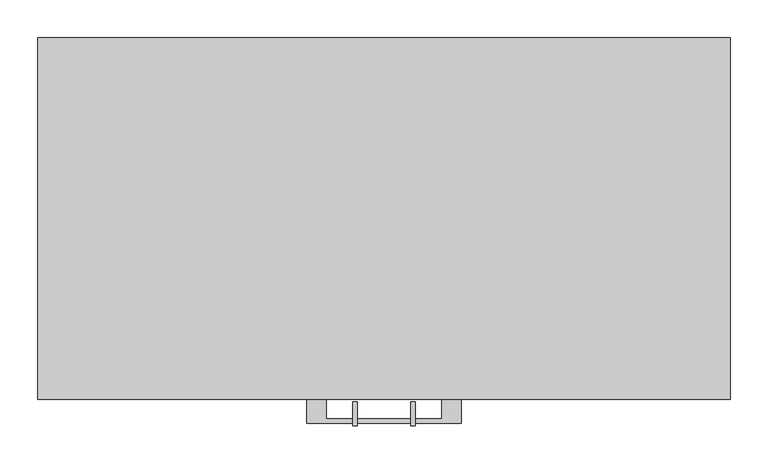
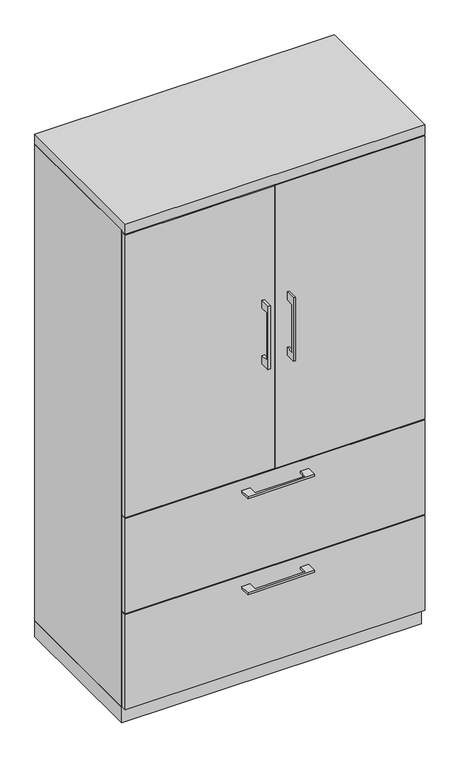
"""IFC4 building model written with IfcOpenShell, lengths in millimetres: furniture geometry."""

from ifc_helpers import new_model, si_unit, frame, origin, origin_with_axes, place, context, project, spatial, polyline, outline, extrude, source, transform, mapped, element, save


def furniture_11ad2db0(model_context):
    return source(origin(), model_context, "Body", "SweptSolid", [
        extrude(outline(polyline([(436.5625, -19.05), (436.5625, -457.2), (-436.5625, -457.2), (-436.5625, -19.05), (436.5625, -19.05)])), frame((0.0, 0.0, 1267.8833333), z_axis=(0.0, 0.0, 1.0), x_axis=(1.0, 0.0, 0.0)), (0.0, 0.0, 1.0), 19.05),
        extrude(outline(polyline([(-479.425, 1200.15), (-504.8249758, 1200.15), (-504.8249758, 1047.75), (-479.425, 1047.75), (-479.425, 1022.35), (-511.1749879, 1022.35), (-511.1749879, 1225.55), (-479.425, 1225.55), (-479.425, 1200.15)])), frame((-41.2749879, 0.0, 0.0), z_axis=(1.0, 0.0, 0.0), x_axis=(0.0, 1.0, 0.0)), (0.0, 0.0, 1.0), 6.3499758),
        extrude(outline(polyline([(-455.6125, -476.25), (-455.6125, -457.2), (-1.5875, -457.2), (-1.5875, -476.25), (-455.6125, -476.25)])), frame((0.0, 0.0, 669.925), z_axis=(0.0, 0.0, 1.0), x_axis=(1.0, 0.0, 0.0)), (0.0, 0.0, 1.0), 908.05),
        extrude(outline(polyline([(-479.425, 1200.15), (-504.8249758, 1200.15), (-504.8249758, 1047.75), (-479.425, 1047.75), (-479.425, 1022.35), (-511.1749879, 1022.35), (-511.1749879, 1225.55), (-479.425, 1225.55), (-479.425, 1200.15)])), frame((34.9250121, 0.0, 0.0), z_axis=(1.0, 0.0, 0.0), x_axis=(0.0, 1.0, 0.0)), (0.0, 0.0, 1.0), 6.3499758),
        extrude(outline(polyline([(455.6125, -476.25), (1.5875, -476.25), (1.5875, -457.2), (455.6125, -457.2), (455.6125, -476.25)])), frame((0.0, 0.0, 669.925), z_axis=(0.0, 0.0, 1.0), x_axis=(1.0, 0.0, 0.0)), (0.0, 0.0, 1.0), 908.05),
        extrude(outline(polyline([(436.5625, -19.05), (436.5625, -457.2), (-436.5625, -457.2), (-436.5625, -19.05), (436.5625, -19.05)])), frame((0.0, 0.0, 964.1416667), z_axis=(0.0, 0.0, 1.0), x_axis=(1.0, 0.0, 0.0)), (0.0, 0.0, 1.0), 19.05),
        extrude(outline(polyline([(-76.1999818, -476.25), (-76.1999818, -501.6499758), (76.2, -501.6499758), (76.2, -476.25), (101.5999939, -476.25), (101.5999939, -507.9999879), (-101.5999939, -507.9999879), (-101.5999939, -476.25), (-76.1999818, -476.25)])), frame((0.0, 0.0, 627.0625506), z_axis=(0.0, 0.0, 1.0), x_axis=(1.0, 0.0, 0.0)), (0.0, 0.0, 1.0), 6.3499758),
        extrude(outline(polyline([(455.6125, -457.2), (455.6125, -476.25), (-455.6125, -476.25), (-455.6125, -457.2), (455.6125, -457.2)])), frame((0.0, 0.0, 361.95), z_axis=(0.0, 0.0, 1.0), x_axis=(1.0, 0.0, 0.0)), (0.0, 0.0, 1.0), 304.8),
        extrude(outline(polyline([(-76.1999818, -476.25), (-76.1999818, -501.6499758), (76.2, -501.6499758), (76.2, -476.25), (101.5999939, -476.25), (101.5999939, -507.9999879), (-101.5999939, -507.9999879), (-101.5999939, -476.25), (-76.1999818, -476.25)])), frame((0.0, 0.0, 319.0875506), z_axis=(0.0, 0.0, 1.0), x_axis=(1.0, 0.0, 0.0)), (0.0, 0.0, 1.0), 6.3499758),
        extrude(outline(polyline([(455.6125, -457.2), (455.6125, -476.25), (-455.6125, -476.25), (-455.6125, -457.2), (455.6125, -457.2)])), frame((0.0, 0.0, 53.975), z_axis=(0.0, 0.0, 1.0), x_axis=(1.0, 0.0, 0.0)), (0.0, 0.0, 1.0), 304.8),
        extrude(outline(polyline([(436.5625, -19.05), (436.5625, -457.2), (-436.5625, -457.2), (-436.5625, -19.05), (436.5625, -19.05)])), frame((0.0, 0.0, 50.8), z_axis=(0.0, 0.0, 1.0), x_axis=(1.0, 0.0, 0.0)), (0.0, 0.0, 1.0), 619.125),
        extrude(outline(polyline([(-455.6125, 0.0), (455.6125, 0.0), (455.6125, -457.2), (436.5625, -457.2), (436.5625, -19.05), (-436.5625, -19.05), (-436.5625, -457.2), (-455.6125, -457.2), (-455.6125, 0.0)])), frame((0.0, 0.0, 50.8), z_axis=(0.0, 0.0, 1.0), x_axis=(1.0, 0.0, 0.0)), (0.0, 0.0, 1.0), 1530.35),
        extrude(outline(polyline([(455.6125, 0.0), (455.6125, -476.25), (-455.6125, -476.25), (-455.6125, 0.0), (455.6125, 0.0)])), frame((0.0, 0.0, 1581.15), z_axis=(0.0, 0.0, 1.0), x_axis=(1.0, 0.0, 0.0)), (0.0, 0.0, 1.0), 31.75),
        extrude(outline(polyline([(455.6125, 0.0), (455.6125, -457.2), (-455.6125, -457.2), (-455.6125, 0.0), (455.6125, 0.0)])), origin_with_axes(), (0.0, 0.0, 1.0), 50.8),
    ])


if __name__ == "__main__":
    model = new_model("IFC4")
    model_context = context("Model", 3, world=origin())
    ifc_project = project(units=[si_unit("LENGTHUNIT", "METRE", prefix="MILLI")], contexts=[model_context])
    site = spatial("IfcSite", under=ifc_project)
    building = spatial("IfcBuilding", under=site)
    placement = place(None, origin())
    furniture_shape = furniture_11ad2db0(model_context)
    element("IfcFurniture", 1, at=placement, inside=building, context=model_context, shape_type="MappedRepresentation", body=[
        mapped(furniture_shape, transform((0.0, 0.0, 0.0), x_axis=(1.0, 0.0, 0.0), y_axis=(0.0, 1.0, 0.0), z_axis=(0.0, 0.0, 1.0))),
    ])
    save(model, "model.ifc")
